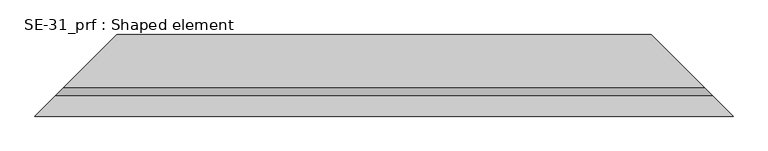
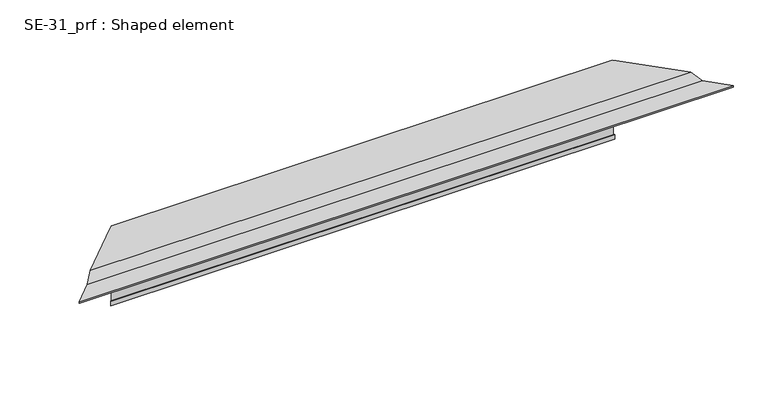
"""IFC4 building model written with IfcOpenShell, lengths in millimetres: proxy geometry, SE-31_prf : Shaped element."""

from ifc_helpers import new_model, si_unit, origin, place, context, project, spatial, faceted_brep, source, transform, mapped, element, save


def se_31_prf_shaped_element_0f62b091(model_context):
    return source(origin(), model_context, "Body", "Brep", [
        faceted_brep([(2.0, 2.0, -150.0), (5.0, 5.0, -150.0), (1026.7056735, 5.0, -150.0), (1029.7056735, 2.0, -150.0), (4.0, 4.0, -149.0), (3.0, 3.0, -149.0), (1028.7056735, 3.0, -149.0), (1027.7056735, 4.0, -149.0), (3.0, 3.0, -140.0), (1028.7056735, 3.0, -140.0), (2.0, 2.0, -140.0), (1029.7056735, 2.0, -140.0), (5.0, 5.0, 20.0), (0.0, 0.0, 20.0), (-96.0, -96.0, 20.0), (1127.7056735, -96.0, 20.0), (1031.7056735, 0.0, 20.0), (1026.7056735, 5.0, 20.0), (-111.0, -111.0, 5.0), (1142.7056735, -111.0, 5.0), (-151.0, -151.0, 5.0), (1182.7056735, -151.0, 5.0), (-151.0, -151.0, 2.0), (1182.7056735, -151.0, 2.0), (-141.0, -141.0, 2.0), (1172.7056735, -141.0, 2.0), (-141.0, -141.0, 3.0), (1172.7056735, -141.0, 3.0), (-150.0, -150.0, 3.0), (1181.7056735, -150.0, 3.0), (-150.0, -150.0, 4.0), (1181.7056735, -150.0, 4.0), (-110.5857864, -110.5857864, 4.0), (1142.2914599, -110.5857864, 4.0), (-95.5857864, -95.5857864, 19.0), (1127.2914599, -95.5857864, 19.0), (0.0, 0.0, 19.0), (4.0, 4.0, 19.0), (1027.7056735, 4.0, 19.0), (1031.7056735, 0.0, 19.0)], [[[0, 1, 2, 3]], [[4, 5, 6, 7]], [[5, 8, 9, 6]], [[8, 10, 11, 9]], [[10, 0, 3, 11]], [[12, 13, 14, 15, 16, 17]], [[14, 18, 19, 15]], [[18, 20, 21, 19]], [[20, 22, 23, 21]], [[22, 24, 25, 23]], [[24, 26, 27, 25]], [[26, 28, 29, 27]], [[28, 30, 31, 29]], [[30, 32, 33, 31]], [[32, 34, 35, 33]], [[36, 37, 38, 39, 35, 34]], [[37, 4, 7, 38]], [[1, 12, 17, 2]], [[36, 13, 12, 1, 0, 10, 8, 5, 4, 37]], [[13, 36, 34, 32, 30, 28, 26, 24, 22, 20, 18, 14]], [[16, 39, 38, 7, 6, 9, 11, 3, 2, 17]], [[39, 16, 15, 19, 21, 23, 25, 27, 29, 31, 33, 35]]]),
    ])


if __name__ == "__main__":
    model = new_model("IFC4")
    model_context = context("Model", 3, world=origin())
    ifc_project = project(units=[si_unit("LENGTHUNIT", "METRE", prefix="MILLI")], contexts=[model_context])
    site = spatial("IfcSite", under=ifc_project)
    building = spatial("IfcBuilding", under=site)
    placement = place(None, origin())
    se_31_prf_shaped_element_shape = se_31_prf_shaped_element_0f62b091(model_context)
    element("IfcBuildingElementProxy", 1, Name="SE-31_prf : Shaped element", ObjectType="SE-31_prf : Shaped element", at=placement, inside=building, context=model_context, shape_type="MappedRepresentation", body=[
        mapped(se_31_prf_shaped_element_shape, transform((0.0, 0.0, 0.0), x_axis=(1.0, 0.0, 0.0), y_axis=(0.0, 1.0, 0.0), z_axis=(0.0, 0.0, 1.0))),
    ])
    save(model, "model.ifc")
